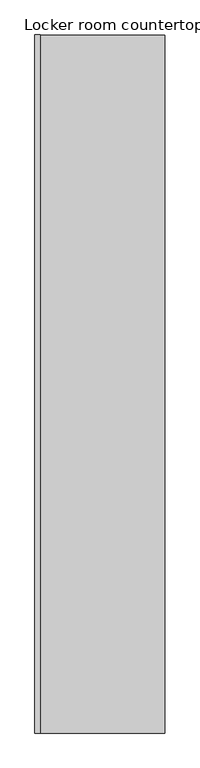
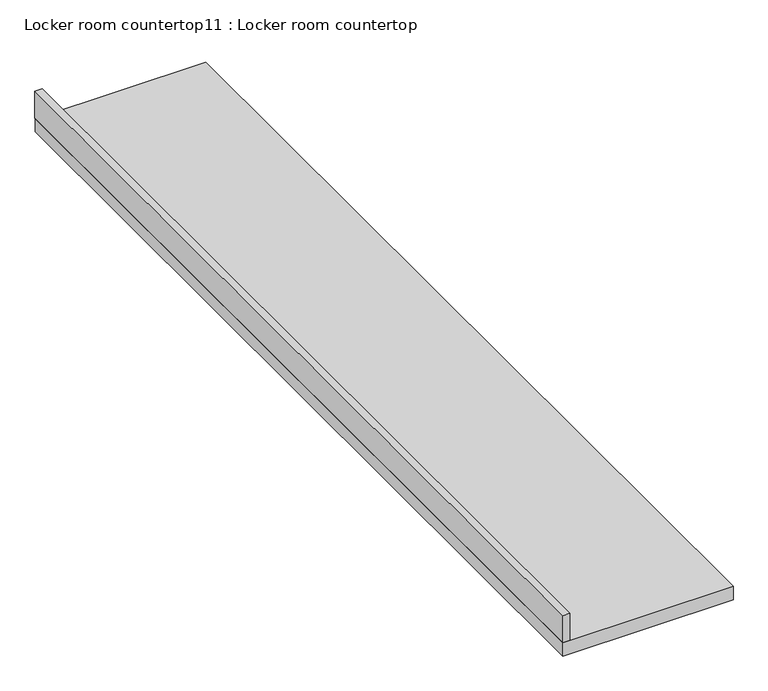
"""IFC4 building model written with IfcOpenShell, lengths in millimetres: furniture geometry, Locker room countertop11 : Locker room countertop."""

from ifc_helpers import new_model, si_unit, frame, origin, place, context, project, spatial, polyline, outline, extrude, source, transform, mapped, element, save


def locker_room_countertop11_locker_room_countertop_3f37f932(model_context):
    return source(origin(), model_context, "Body", "SweptSolid", [
        extrude(outline(polyline([(276044.5388325, -260836.2726459), (276019.1388325, -260836.2726459), (276019.1388325, -257563.5798653), (276044.5388325, -257563.5798653), (276044.5388325, -260836.2726459)])), frame((0.0, 0.0, 914.4), z_axis=(0.0, 0.0, 1.0), x_axis=(1.0, 0.0, 0.0)), (0.0, 0.0, 1.0), 101.6),
        extrude(outline(polyline([(276628.7388325, -260836.2726459), (276019.1388325, -260836.2726459), (276019.1388325, -257566.0226459), (276628.7388325, -257566.0226459), (276628.7388325, -260836.2726459)])), frame((0.0, 0.0, 863.6), z_axis=(0.0, 0.0, 1.0), x_axis=(1.0, 0.0, 0.0)), (0.0, 0.0, 1.0), 50.8),
    ])


if __name__ == "__main__":
    model = new_model("IFC4")
    model_context = context("Model", 3, world=origin())
    ifc_project = project(units=[si_unit("LENGTHUNIT", "METRE", prefix="MILLI")], contexts=[model_context])
    site = spatial("IfcSite", under=ifc_project)
    building = spatial("IfcBuilding", under=site)
    placement = place(None, origin())
    locker_room_countertop11_locker_room_countertop_shape = locker_room_countertop11_locker_room_countertop_3f37f932(model_context)
    element("IfcFurniture", 1, ObjectType="Locker room countertop11 : Locker room countertop", at=placement, inside=building, context=model_context, shape_type="MappedRepresentation", body=[
        mapped(locker_room_countertop11_locker_room_countertop_shape, transform((0.0, 0.0, 0.0), x_axis=(1.0, 0.0, 0.0), y_axis=(0.0, 1.0, 0.0), z_axis=(0.0, 0.0, 1.0))),
    ])
    save(model, "model.ifc")
